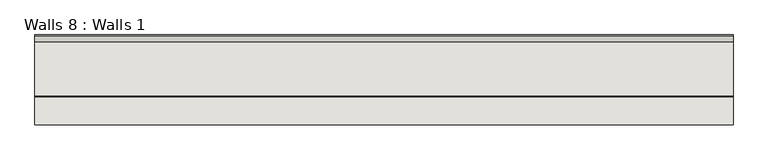
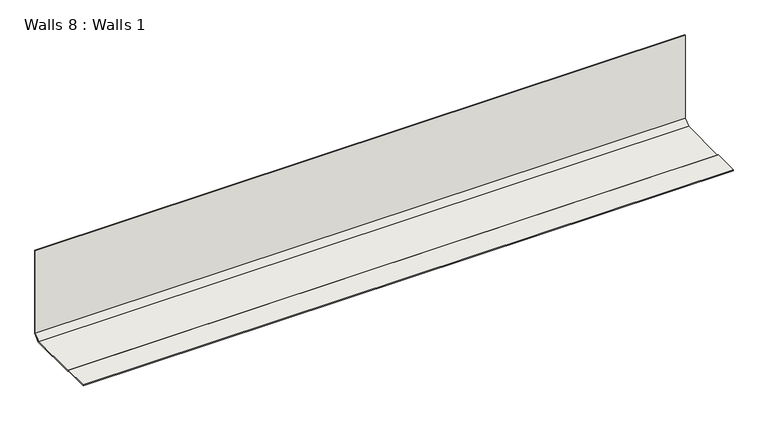
"""IFC4 building model written with IfcOpenShell, lengths in millimetres: wall geometry, Walls 8 : Walls 1."""

from ifc_helpers import new_model, si_unit, frame, origin, place, context, project, spatial, polyline, outline, extrude, source, transform, mapped, element, save


def walls_8_walls_1_b59b8885(model_context):
    return source(origin(), model_context, "Body", "SweptSolid", [
        extrude(outline(polyline([(1427.1473384, 307.9732159), (1444.3392506, 325.1651281), (1444.3392506, 598.0414174), (1447.5142506, 598.0414174), (1447.5142506, 323.85), (1428.4642506, 304.8), (1269.5842305, 304.8), (1265.5113402, 307.9732159), (1186.2118713, 307.9732159), (1186.2118713, 311.1482159), (1266.6021757, 311.1482159), (1270.677356, 307.9732159), (1427.1473384, 307.9732159)])), frame((1879.6350462, 0.0, 0.0), z_axis=(1.0, 0.0, 0.0), x_axis=(0.0, 1.0, 0.0)), (0.0, 0.0, 1.0), 2032.0),
    ])


if __name__ == "__main__":
    model = new_model("IFC4")
    model_context = context("Model", 3, world=origin())
    ifc_project = project(units=[si_unit("LENGTHUNIT", "METRE", prefix="MILLI")], contexts=[model_context])
    site = spatial("IfcSite", under=ifc_project)
    building = spatial("IfcBuilding", under=site)
    placement = place(None, origin())
    walls_8_walls_1_shape = walls_8_walls_1_b59b8885(model_context)
    element("IfcWall", 1, ObjectType="Walls 8 : Walls 1", at=placement, inside=building, context=model_context, shape_type="MappedRepresentation", body=[
        mapped(walls_8_walls_1_shape, transform((0.0, 0.0, 0.0), x_axis=(1.0, 0.0, 0.0), y_axis=(0.0, 1.0, 0.0), z_axis=(0.0, 0.0, 1.0))),
    ])
    save(model, "model.ifc")
